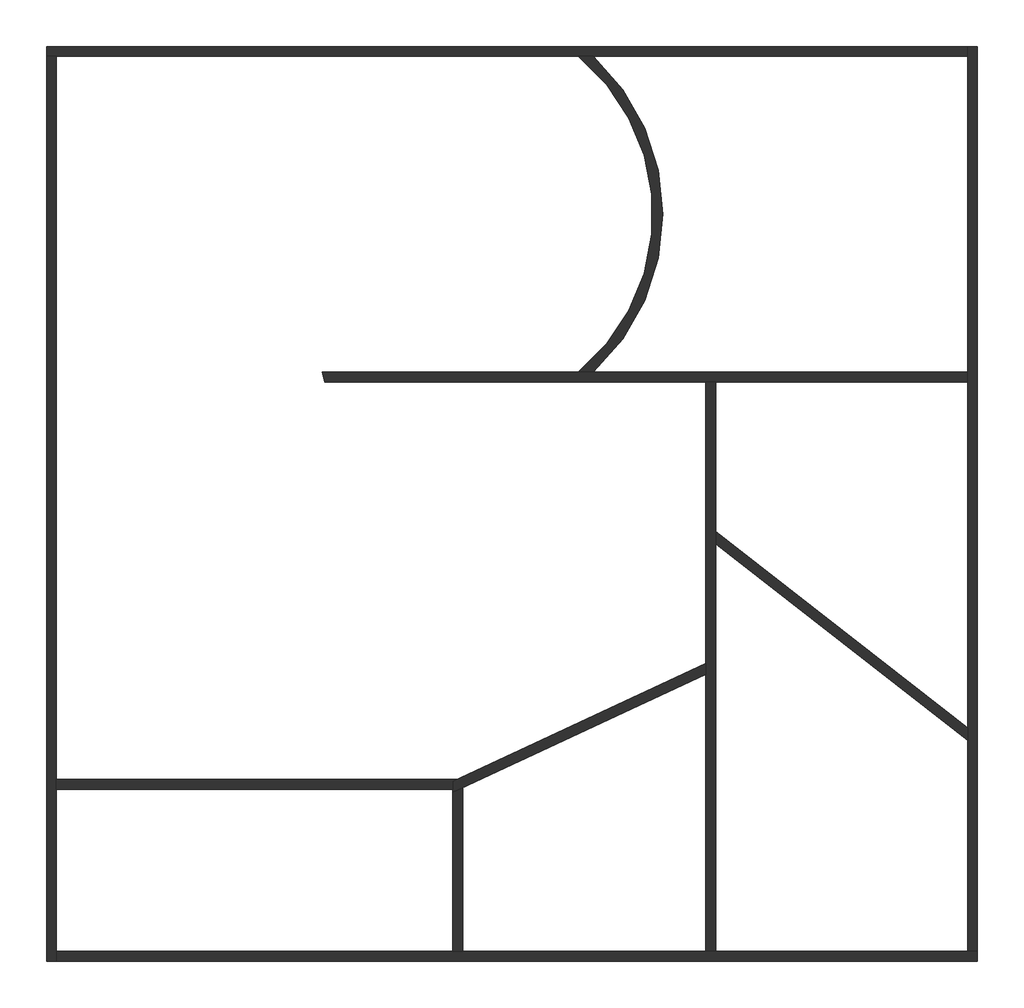
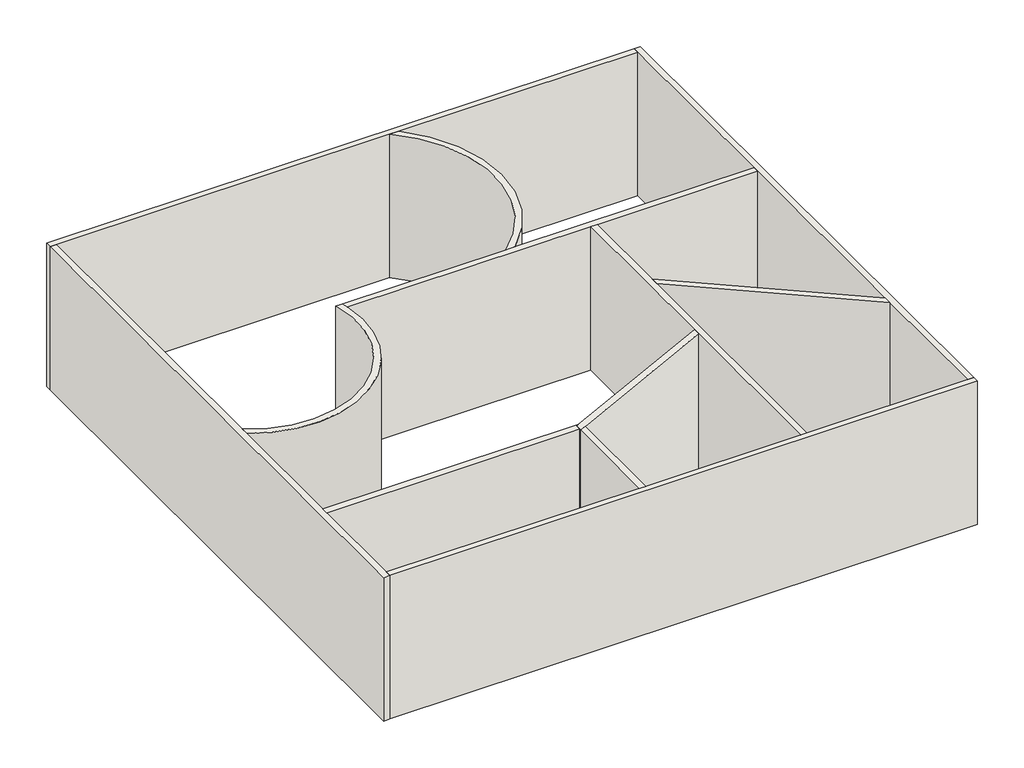
# One storey: 12 walls.
"""IFC4 building model written with IfcOpenShell, lengths in millimetres."""

from ifc_helpers import new_model, si_unit, point, frame, frame_2d, origin, origin_with_axes, place, context, project, spatial, polyline, circle_curve, trimmed, segment, composite_curve, outline, extrude, faceted_brep, element, save
from ifc_brep_helpers import plane_surface, cylinder_surface, revolved_surface, advanced_brep

model = new_model("IFC4")

# Units and contexts
model_context = context("Model", 3, world=origin())
ifc_project = project(units=[si_unit("LENGTHUNIT", "METRE", prefix="MILLI")], contexts=[model_context])

# Site, building, storey
site = spatial("IfcSite", under=ifc_project)
building = spatial("IfcBuilding", under=site)
storey = spatial("IfcBuildingStorey", under=building, Elevation=0.0)

# Walls
placement = place(None, origin())
element("IfcWall", 1, ObjectType="ALV-14 (1,5 / 1,5)", at=placement, inside=storey, context=model_context, shape_type="Brep", body=[
    faceted_brep([(9954.4568973, 15488.619095, 0.0), (10124.4568973, 15488.619095, 0.0), (19098.9824388, 15488.619095, 0.0), (19358.412396, 15488.619095, 0.0), (25794.4568973, 15488.619095, 0.0), (25794.4568973, 15488.619095, 4090.0), (19358.412396, 15488.619095, 4090.0), (19098.9824388, 15488.619095, 4090.0), (10124.4568973, 15488.619095, 4090.0), (9954.4568973, 15488.619095, 4090.0), (9954.4568973, 15658.619095, 0.0), (9954.4568973, 15658.619095, 4090.0), (25794.4568973, 15658.619095, 4090.0), (25794.4568973, 15658.619095, 0.0)], [[[0, 1, 2, 3, 4, 5, 6, 7, 8, 9]], [[10, 11, 12, 13]], [[4, 3, 2, 1, 0, 10, 13]], [[9, 8, 7, 6, 5, 12, 11]], [[0, 9, 11, 10]], [[5, 4, 13, 12]]]),
])
element("IfcWall", 2, ObjectType="ALV-14 (1,5 / 1,5)", at=placement, inside=storey, context=model_context, shape_type="Brep", body=[
    faceted_brep([(10124.4568973, -81.380905, 0.0), (10124.4568973, 88.619095, 0.0), (10124.4568973, 2875.0514387, 0.0), (10124.4568973, 3045.0514387, 0.0), (10124.4568973, 6605.2294295, 0.0), (10124.4568973, 6805.5991646, 0.0), (10124.4568973, 15488.619095, 0.0), (10124.4568973, 15488.619095, 4090.0), (10124.4568973, 6805.5991646, 4090.0), (10124.4568973, 6605.2294295, 4090.0), (10124.4568973, 3045.0514387, 4090.0), (10124.4568973, 2875.0514387, 4090.0), (10124.4568973, 88.619095, 4090.0), (10124.4568973, -81.380905, 4090.0), (9954.4568973, -81.380905, 0.0), (9954.4568973, -81.380905, 4090.0), (9954.4568973, 15488.619095, 4090.0), (9954.4568973, 15488.619095, 0.0)], [[[0, 1, 2, 3, 4, 5, 6, 7, 8, 9, 10, 11, 12, 13]], [[14, 15, 16, 17]], [[6, 5, 4, 3, 2, 1, 0, 14, 17]], [[13, 12, 11, 10, 9, 8, 7, 16, 15]], [[0, 13, 15, 14]], [[7, 6, 17, 16]]]),
])
element("IfcWall", 3, ObjectType="ALV-14 (1,5 / 1,5)", at=placement, inside=storey, context=model_context, shape_type="Brep", body=[
    faceted_brep([(25964.4568973, 88.619095, 0.0), (25794.4568973, 88.619095, 0.0), (21464.4568973, 88.619095, 0.0), (21294.4568973, 88.619095, 0.0), (17114.1795195, 88.619095, 0.0), (16944.1795195, 88.619095, 0.0), (10124.4568973, 88.619095, 0.0), (10124.4568973, 88.619095, 4090.0), (16944.1795195, 88.619095, 4090.0), (17114.1795195, 88.619095, 4090.0), (21294.4568973, 88.619095, 4090.0), (21464.4568973, 88.619095, 4090.0), (25794.4568973, 88.619095, 4090.0), (25964.4568973, 88.619095, 4090.0), (25964.4568973, -81.380905, 0.0), (25964.4568973, -81.380905, 4090.0), (10124.4568973, -81.380905, 4090.0), (10124.4568973, -81.380905, 0.0)], [[[0, 1, 2, 3, 4, 5, 6, 7, 8, 9, 10, 11, 12, 13]], [[14, 15, 16, 17]], [[6, 5, 4, 3, 2, 1, 0, 14, 17]], [[13, 12, 11, 10, 9, 8, 7, 16, 15]], [[0, 13, 15, 14]], [[7, 6, 17, 16]]]),
])
element("IfcWall", 4, ObjectType="ALV-14 (1,5 / 1,5)", at=placement, inside=storey, context=model_context, shape_type="Brep", body=[
    faceted_brep([(25794.4568973, 15658.619095, 0.0), (25794.4568973, 15488.619095, 0.0), (25794.4568973, 10058.619095, 0.0), (25794.4568973, 9888.619095, 0.0), (25794.4568973, 3932.1096023, 0.0), (25794.4568973, 3716.3765057, 0.0), (25794.4568973, 88.619095, 0.0), (25794.4568973, 88.619095, 4090.0), (25794.4568973, 3716.3765057, 4090.0), (25794.4568973, 3932.1096023, 4090.0), (25794.4568973, 9888.619095, 4090.0), (25794.4568973, 10058.619095, 4090.0), (25794.4568973, 15488.619095, 4090.0), (25794.4568973, 15658.619095, 4090.0), (25964.4568973, 15658.619095, 0.0), (25964.4568973, 15658.619095, 4090.0), (25964.4568973, 88.619095, 4090.0), (25964.4568973, 88.619095, 0.0)], [[[0, 1, 2, 3, 4, 5, 6, 7, 8, 9, 10, 11, 12, 13]], [[14, 15, 16, 17]], [[6, 5, 4, 3, 2, 1, 0, 14, 17]], [[13, 12, 11, 10, 9, 8, 7, 16, 15]], [[0, 13, 15, 14]], [[7, 6, 17, 16]]]),
])
element("IfcWall", 5, ObjectType="ALV-14 (1,5 / 1,5)", at=placement, inside=storey, context=model_context, shape_type="AdvancedBrep", body=[
    advanced_brep(
    [(14735.7723482, 9888.619095, 0.0), (21294.4568973, 9888.619095, 0.0), (21464.4568973, 9888.619095, 0.0), (25794.4568973, 9888.619095, 0.0), (25794.4568973, 9888.619095, 4090.0), (21464.4568973, 9888.619095, 4090.0), (21294.4568973, 9888.619095, 4090.0), (14735.7723482, 9888.619095, 4090.0), (14695.001226, 10058.619095, 0.0), (14695.001226, 10058.619095, 4090.0), (19098.9824388, 10058.619095, 4090.0), (19358.412396, 10058.619095, 4090.0), (25794.4568973, 10058.619095, 4090.0), (25794.4568973, 10058.619095, 0.0), (19358.412396, 10058.619095, 0.0), (19098.9824388, 10058.619095, 0.0)],
    [
        (0, 1),
        (1, 2),
        (2, 3),
        (3, 4),
        (4, 5),
        (5, 6),
        (6, 7),
        (7, 0),
        (8, 9),
        (9, 10),
        (10, 11),
        (11, 12),
        (12, 13),
        (13, 14),
        (14, 15),
        (15, 8),
        (0, 8, circle_curve(frame((11713.3105473, 9253.6307592, 0.0), z_axis=(0.0, 0.0, 1.0), x_axis=(1.0, 0.0, 0.0)), 3088.4438678)),
        (13, 3),
        (4, 12),
        (9, 7, circle_curve(frame((11713.3105473, 9253.6307592, 4090.0), z_axis=(0.0, 0.0, -1.0), x_axis=(1.0, 0.0, 0.0)), 3088.4438678)),
    ],
    [
        plane_surface(frame((10039.4568973, 9888.619095, 0.0), z_axis=(0.0, -1.0, 0.0), x_axis=(1.0, 0.0, 0.0))),
        plane_surface(frame((10039.4568973, 10058.619095, 0.0), z_axis=(0.0, 1.0, 0.0), x_axis=(-1.0, 0.0, 0.0))),
        plane_surface(frame((14629.1795195, 9888.619095, 0.0), z_axis=(0.0, 0.0, -1.0), x_axis=(0.0, 1.0, 0.0))),
        plane_surface(frame((25879.4568973, 9888.619095, 4090.0), z_axis=(0.0, 0.0, 1.0), x_axis=(0.0, 1.0, 0.0))),
        plane_surface(frame((25794.4568973, 15573.619095, 0.0), z_axis=(1.0, 0.0, 0.0), x_axis=(0.0, -1.0, 0.0))),
        revolved_surface(polyline([(14801.7544151, 9253.6307592, 4090.0), (14801.7544151, 9253.6307592, 0.0)]), (11713.3105473, 9253.6307592, 0.0), (0.0, 0.0, 1.0)),
    ],
    [
        (0, [[1, 2, 3, 4, 5, 6, 7, 8]]),
        (1, [[9, 10, 11, 12, 13, 14, 15, 16]]),
        (2, [[-3, -2, -1, 17, -16, -15, -14, 18]]),
        (3, [[-7, -6, -5, 19, -12, -11, -10, 20]]),
        (4, [[-4, -18, -13, -19]]),
        (5, [[-8, -20, -9, -17]]),
    ],
),
])
element("IfcWall", 6, ObjectType="ALV-14 (1,5 / 1,5)", at=placement, inside=storey, context=model_context, shape_type="Brep", body=[
    faceted_brep([(21294.4568973, 9888.619095, 0.0), (21294.4568973, 5042.7700672, 0.0), (21294.4568973, 4855.195821, 0.0), (21294.4568973, 88.619095, 0.0), (21294.4568973, 88.619095, 4090.0), (21294.4568973, 4855.195821, 4090.0), (21294.4568973, 5042.7700672, 4090.0), (21294.4568973, 9888.619095, 4090.0), (21464.4568973, 9888.619095, 0.0), (21464.4568973, 9888.619095, 4090.0), (21464.4568973, 7315.076365, 4090.0), (21464.4568973, 7099.3432685, 4090.0), (21464.4568973, 88.619095, 4090.0), (21464.4568973, 88.619095, 0.0), (21464.4568973, 7099.3432685, 0.0), (21464.4568973, 7315.076365, 0.0)], [[[0, 1, 2, 3, 4, 5, 6, 7]], [[8, 9, 10, 11, 12, 13, 14, 15]], [[3, 2, 1, 0, 8, 15, 14, 13]], [[7, 6, 5, 4, 12, 11, 10, 9]], [[4, 3, 13, 12]], [[0, 7, 9, 8]]]),
])
element("IfcWall", 7, ObjectType="ALV-14 (1,5 / 1,5)", at=placement, inside=storey, context=model_context, shape_type="SweptSolid", body=[
    extrude(outline(polyline([(25794.4568973, 3716.3765057), (21464.4568973, 7099.3432685), (21464.4568973, 7315.076365), (25794.4568973, 3932.1096023), (25794.4568973, 3716.3765057)])), origin_with_axes(), (0.0, 0.0, 1.0), 4090.0),
])
element("IfcWall", 8, ObjectType="ALV-14 (1,5 / 1,5)", at=placement, inside=storey, context=model_context, shape_type="Brep", body=[
    faceted_brep([(21294.4568973, 5042.7700672, 0.0), (17010.3354732, 3045.0514387, 0.0), (16944.1795195, 3014.2024108, 0.0), (16944.1795195, 3014.2024108, 4090.0), (17010.3354732, 3045.0514387, 4090.0), (21294.4568973, 5042.7700672, 4090.0), (21294.4568973, 4855.195821, 0.0), (21294.4568973, 4855.195821, 4090.0), (17114.1795195, 2905.9004665, 4090.0), (16944.1795195, 2826.6281646, 4090.0), (16944.1795195, 2826.6281646, 0.0), (17114.1795195, 2905.9004665, 0.0), (16944.1795195, 2875.0514387, 0.0), (16944.1795195, 2875.0514387, 4090.0)], [[[0, 1, 2, 3, 4, 5]], [[6, 7, 8, 9, 10, 11]], [[2, 1, 0, 6, 11, 10, 12]], [[5, 4, 3, 13, 9, 8, 7]], [[0, 5, 7, 6]], [[3, 2, 12, 10, 9, 13]]]),
])
element("IfcWall", 9, ObjectType="ALV-14 (1,5 / 1,5)", at=placement, inside=storey, context=model_context, shape_type="SweptSolid", body=[
    extrude(outline(polyline([(16944.1795195, 88.619095), (16944.1795195, 2826.6281646), (17114.1795195, 2905.9004665), (17114.1795195, 88.619095), (16944.1795195, 88.619095)])), origin_with_axes(), (0.0, 0.0, 1.0), 4090.0),
])
element("IfcWall", 10, ObjectType="ALV-14 (1,5 / 1,5)", at=placement, inside=storey, context=model_context, shape_type="SweptSolid", body=[
    extrude(outline(polyline([(10124.4568973, 3045.0514387), (17010.3354732, 3045.0514387), (16944.1795195, 3014.2024108), (16944.1795195, 2875.0514387), (10124.4568973, 2875.0514387), (10124.4568973, 3045.0514387)])), origin_with_axes(), (0.0, 0.0, 1.0), 4090.0),
])
element("IfcWall", 11, ObjectType="ALV-14 (1,5 / 1,5)", at=placement, inside=storey, context=model_context, shape_type="AdvancedBrep", body=[
    advanced_brep(
    [(10124.4568973, 6605.2294295, 4090.0), (14735.7755153, 9888.6035827, 4090.0), (14695.001226, 10058.619095, 4090.0), (14518.539306, 10058.619095, 4090.0), (10124.4568973, 6805.5991646, 4090.0), (10124.4568973, 6605.2294295, 0.0), (10124.4568973, 6805.5991646, 0.0), (14518.539306, 10058.619095, 0.0), (14695.001226, 10058.619095, 0.0), (14735.7755153, 9888.6035827, 0.0)],
    [
        (0, 1, circle_curve(frame((11713.3105473, 9253.6307592, 4090.0), z_axis=(0.0, 0.0, 1.0), x_axis=(1.0, 0.0, 0.0)), 3088.4438678)),
        (1, 2, circle_curve(frame((11713.3105473, 9253.6307592, 4090.0), z_axis=(0.0, 0.0, 1.0), x_axis=(1.0, 0.0, 0.0)), 3088.4437779)),
        (2, 3),
        (3, 4, circle_curve(frame((11713.3105473, 9253.6307592, 4090.0), z_axis=(0.0, 0.0, -1.0), x_axis=(1.0, 0.0, 0.0)), 2918.4438678)),
        (4, 0),
        (5, 6),
        (6, 7, circle_curve(frame((11713.3105473, 9253.6307592, 0.0), z_axis=(0.0, 0.0, 1.0), x_axis=(1.0, 0.0, 0.0)), 2918.4438678)),
        (7, 8),
        (8, 9, circle_curve(frame((11713.3105473, 9253.6307592, 0.0), z_axis=(0.0, 0.0, -1.0), x_axis=(1.0, 0.0, 0.0)), 3088.4438678)),
        (9, 5, circle_curve(frame((11713.3105473, 9253.6307592, 0.0), z_axis=(0.0, 0.0, -1.0), x_axis=(1.0, 0.0, 0.0)), 3088.4437779)),
        (0, 5),
        (8, 2),
        (3, 7),
        (6, 4),
    ],
    [
        plane_surface(frame((14801.7544151, 9253.6307592, 4090.0), z_axis=(0.0, 0.0, 1.0), x_axis=(0.0, 1.0, 0.0))),
        plane_surface(frame((14801.7544151, 9253.6307592, 0.0), z_axis=(0.0, 0.0, -1.0), x_axis=(0.0, -1.0, 0.0))),
        cylinder_surface(frame((11713.3105473, 9253.6307592, 0.0), z_axis=(0.0, 0.0, 1.0), x_axis=(1.0, 0.0, 0.0)), 3088.4438678),
        revolved_surface(polyline([(14631.7544151, 9253.6307592, 0.0), (14631.7544151, 9253.6307592, 4090.0)]), (11713.3105473, 9253.6307592, 0.0), (0.0, 0.0, -1.0)),
        plane_surface(frame((10124.4568973, 14573.619095, 0.0), z_axis=(-1.0, 0.0, 0.0), x_axis=(0.0, 1.0, 0.0))),
        plane_surface(frame((10039.4568973, 10058.619095, 0.0), z_axis=(0.0, 1.0, 0.0), x_axis=(-1.0, 0.0, 0.0))),
    ],
    [
        (0, [[1, 2, 3, 4, 5]]),
        (1, [[6, 7, 8, 9, 10]]),
        (2, [[-2, -1, 11, -10, -9, 12]]),
        (3, [[-4, 13, -7, 14]]),
        (4, [[-5, -14, -6, -11]]),
        (5, [[-3, -12, -8, -13]]),
    ],
),
])
element("IfcWall", 12, ObjectType="ALV-14 (1,5 / 1,5)", at=placement, inside=storey, context=model_context, shape_type="SweptSolid", body=[
    extrude(outline(composite_curve([segment(polyline([(19098.9824388, 15488.619095), (19358.412396, 15488.619095)]), True, "CONTINUOUS"), segment(trimmed(circle_curve(frame_2d((16871.9462877, 12773.619095)), 3681.540263), [point((19358.412396, 15488.619095))], [point((19358.412396, 10058.619095))], False, "CARTESIAN"), True, "CONTINUOUS"), segment(polyline([(19358.412396, 10058.619095), (19098.9824388, 10058.619095)]), True, "CONTINUOUS"), segment(trimmed(circle_curve(frame_2d((16871.9462877, 12773.619095)), 3511.540263), [point((19098.9824388, 10058.619095))], [point((19098.9824388, 15488.619095))], True, "CARTESIAN"), True, "CONTINUOUS")], self_intersect=False)), origin_with_axes(), (0.0, 0.0, 1.0), 4090.0),
])

save(model, "model.ifc")
